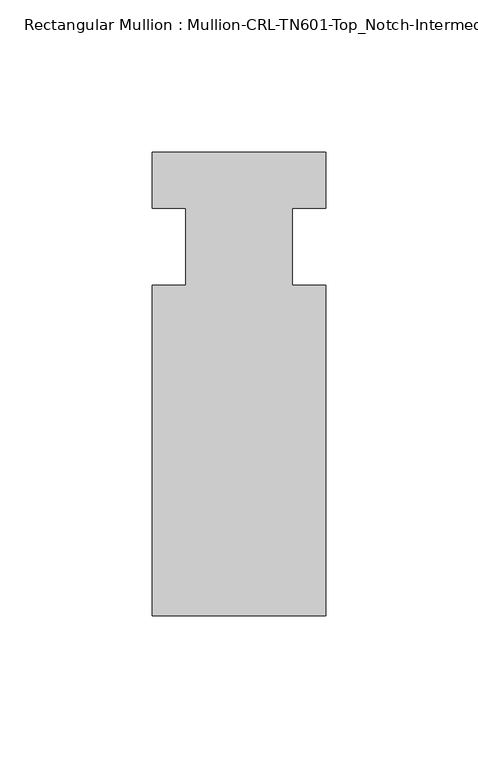
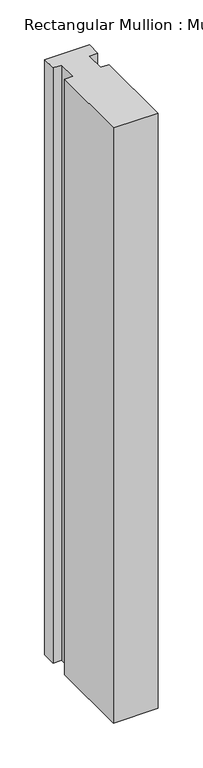
"""IFC4 building model written with IfcOpenShell, lengths in millimetres: member geometry, Rectangular Mullion : Mullion-CRL-TN601-Top_Notch-Intermediate_Horizontal."""

from ifc_helpers import new_model, si_unit, frame, origin, place, context, project, spatial, polyline, outline, extrude, source, transform, mapped, element, save


def rectangular_mullion_mullion_crl_tn601_top_notch_intermediate_590a76ff(model_context):
    return source(origin(), model_context, "Body", "SweptSolid", [
        extrude(outline(polyline([(-28.575, -12.7), (-17.4625, -12.7), (-17.4625, 12.7), (-28.575, 12.7), (-28.575, 31.140391), (28.575, 31.140391), (28.575, 12.7), (17.4625, 12.7), (17.4625, -12.7), (28.575, -12.7), (28.575, -121.259591), (-28.575, -121.259591), (-28.575, -12.7)])), frame((0.0, 0.0, -807.7376293), z_axis=(0.0, 0.0, 1.0), x_axis=(1.0, 0.0, 0.0)), (0.0, 0.0, 1.0), 807.7376293),
    ])


if __name__ == "__main__":
    model = new_model("IFC4")
    model_context = context("Model", 3, world=origin())
    ifc_project = project(units=[si_unit("LENGTHUNIT", "METRE", prefix="MILLI")], contexts=[model_context])
    site = spatial("IfcSite", under=ifc_project)
    building = spatial("IfcBuilding", under=site)
    placement = place(None, origin())
    rectangular_mullion_mullion_crl_tn601_top_notch_intermediate_shape = rectangular_mullion_mullion_crl_tn601_top_notch_intermediate_590a76ff(model_context)
    element("IfcMember", 1, ObjectType="Rectangular Mullion : Mullion-CRL-TN601-Top_Notch-Intermediate_Horizontal", at=placement, inside=building, context=model_context, shape_type="MappedRepresentation", body=[
        mapped(rectangular_mullion_mullion_crl_tn601_top_notch_intermediate_shape, transform((0.0, 0.0, 0.0), x_axis=(1.0, 0.0, 0.0), y_axis=(0.0, 1.0, 0.0), z_axis=(0.0, 0.0, 1.0))),
    ])
    save(model, "model.ifc")
